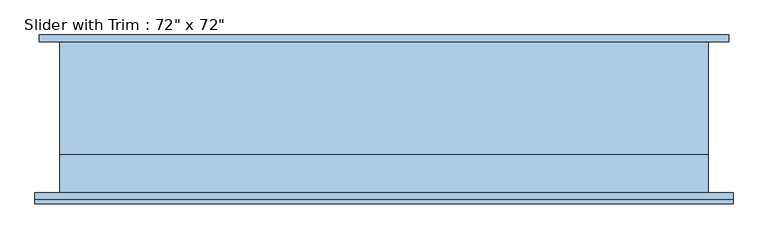
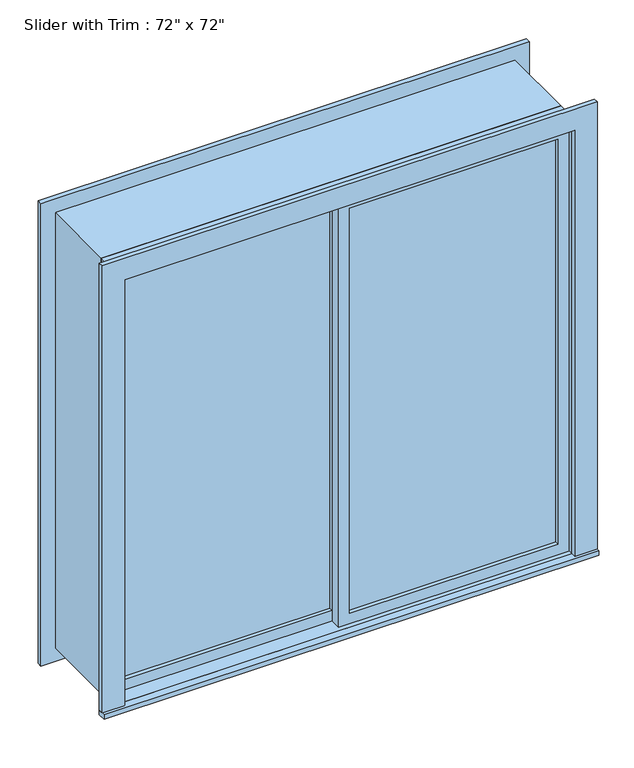
"""IFC4 building model written with IfcOpenShell, lengths in millimetres: window geometry."""

from ifc_helpers import new_model, si_unit, frame, origin, place, context, project, spatial, polyline, outline, extrude, source, transform, mapped, element, save


def window_3e218330(model_context):
    return source(origin(), model_context, "Body", "SweptSolid", [
        extrude(outline(polyline([(-850.9, -133.35), (-850.9, -120.65), (-22.225, -120.65), (-22.225, -133.35), (-850.9, -133.35)])), frame((0.0, 0.0, 977.9), z_axis=(0.0, 0.0, 1.0), x_axis=(1.0, 0.0, 0.0)), (0.0, 0.0, 1.0), 1701.8),
        extrude(outline(polyline([(2724.15, -895.35), (933.45, -895.35), (933.45, 22.225), (2724.15, 22.225), (2724.15, -895.35)]), holes=[polyline([(2679.7, -850.9), (2679.7, -22.225), (977.9, -22.225), (977.9, -850.9), (2679.7, -850.9)])]), frame((0.0, -149.225, 0.0), z_axis=(0.0, 1.0, 0.0), x_axis=(0.0, 0.0, 1.0)), (0.0, 0.0, 1.0), 44.45),
        extrude(outline(polyline([(-984.25, -244.475), (-984.25, -212.725), (984.25, -212.725), (984.25, -244.475), (-984.25, -244.475)])), frame((0.0, 0.0, 914.4), z_axis=(0.0, 0.0, 1.0), x_axis=(1.0, 0.0, 0.0)), (0.0, 0.0, 1.0), 19.05),
        extrude(outline(polyline([(2724.15, -895.35), (2724.15, 895.35), (933.45, 895.35), (933.45, 984.25), (2813.05, 984.25), (2813.05, -984.25), (933.45, -984.25), (933.45, -895.35), (2724.15, -895.35)])), frame((0.0, -231.775, 0.0), z_axis=(0.0, 1.0, 0.0), x_axis=(0.0, 0.0, 1.0)), (0.0, 0.0, 1.0), 19.05),
        extrude(outline(polyline([(2800.35, 971.55), (2800.35, -971.55), (857.25, -971.55), (857.25, 971.55), (2800.35, 971.55)]), holes=[polyline([(2711.45, 882.65), (946.15, 882.65), (946.15, -882.65), (2711.45, -882.65), (2711.45, 882.65)])]), frame((0.0, 212.725, 0.0), z_axis=(0.0, 1.0, 0.0), x_axis=(0.0, 0.0, 1.0)), (0.0, 0.0, 1.0), 19.05),
        extrude(outline(polyline([(850.9, -165.1), (850.9, -177.8), (22.225, -177.8), (22.225, -165.1), (850.9, -165.1)])), frame((0.0, 0.0, 977.9), z_axis=(0.0, 0.0, 1.0), x_axis=(1.0, 0.0, 0.0)), (0.0, 0.0, 1.0), 1701.8),
        extrude(outline(polyline([(2724.15, -22.225), (933.45, -22.225), (933.45, 895.35), (2724.15, 895.35), (2724.15, -22.225)]), holes=[polyline([(2679.7, 22.225), (2679.7, 850.9), (977.9, 850.9), (977.9, 22.225), (2679.7, 22.225)])]), frame((0.0, -193.675, 0.0), z_axis=(0.0, 1.0, 0.0), x_axis=(0.0, 0.0, 1.0)), (0.0, 0.0, 1.0), 44.45),
        extrude(outline(polyline([(2743.2, -914.4), (914.4, -914.4), (914.4, 914.4), (2743.2, 914.4), (2743.2, -914.4)]), holes=[polyline([(2711.45, -882.65), (2711.45, 882.65), (946.15, 882.65), (946.15, -882.65), (2711.45, -882.65)])]), frame((0.0, -104.775, 0.0), z_axis=(0.0, 1.0, 0.0), x_axis=(0.0, 0.0, 1.0)), (0.0, 0.0, 1.0), 317.5),
        extrude(outline(polyline([(2743.2, 914.4), (2743.2, -914.4), (914.4, -914.4), (914.4, 914.4), (2743.2, 914.4)]), holes=[polyline([(2724.15, 895.35), (933.45, 895.35), (933.45, -895.35), (2724.15, -895.35), (2724.15, 895.35)])]), frame((0.0, -212.725, 0.0), z_axis=(0.0, 1.0, 0.0), x_axis=(0.0, 0.0, 1.0)), (0.0, 0.0, 1.0), 107.95),
    ])


if __name__ == "__main__":
    model = new_model("IFC4")
    model_context = context("Model", 3, world=origin())
    ifc_project = project(units=[si_unit("LENGTHUNIT", "METRE", prefix="MILLI")], contexts=[model_context])
    site = spatial("IfcSite", under=ifc_project)
    building = spatial("IfcBuilding", under=site)
    placement = place(None, origin())
    window_shape = window_3e218330(model_context)
    element("IfcWindow", 1, ObjectType="Slider with Trim : 72\" x 72\"", at=placement, inside=building, context=model_context, shape_type="MappedRepresentation", body=[
        mapped(window_shape, transform((0.0, 0.0, 0.0), x_axis=(1.0, 0.0, 0.0), y_axis=(0.0, 1.0, 0.0), z_axis=(0.0, 0.0, 1.0))),
    ])
    save(model, "model.ifc")
